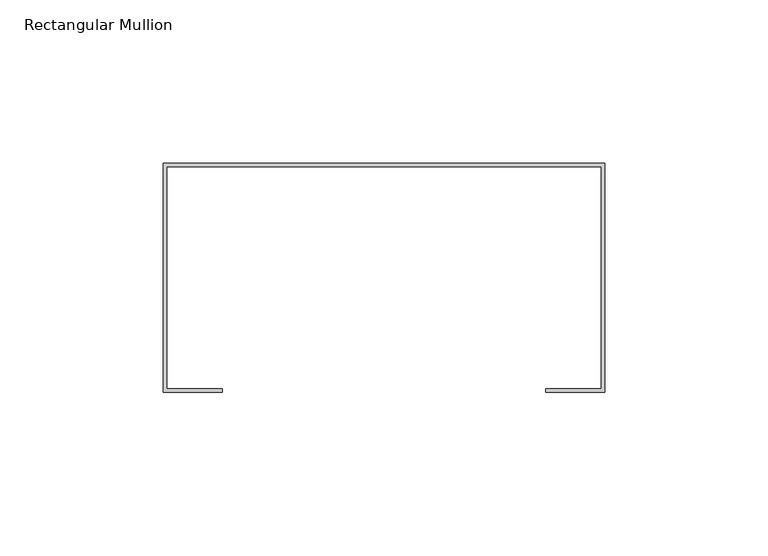
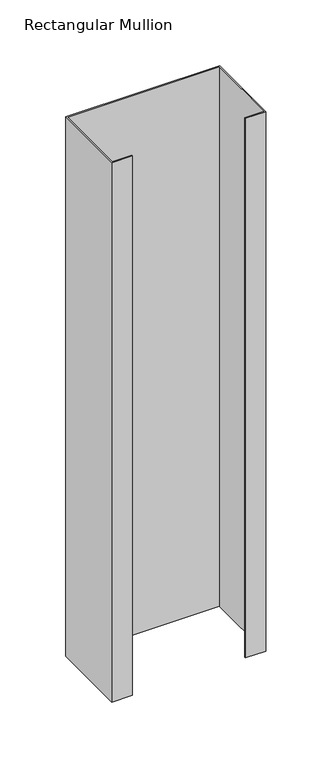
"""IFC4 building model written with IfcOpenShell, lengths in millimetres: member geometry, Rectangular Mullion."""

from ifc_helpers import new_model, si_unit, frame, origin, place, context, project, spatial, polyline, outline, extrude, source, transform, mapped, element, save


def rectangular_mullion_27807598(model_context):
    return source(origin(), model_context, "Body", "SweptSolid", [
        extrude(outline(polyline([(-67.5, -24.9842182), (67.5, -24.9842182), (67.5, -94.9842182), (49.5, -94.9842182), (49.5, -93.9842182), (66.5, -93.9842182), (66.5, -25.9842182), (-66.5, -25.9842182), (-66.5, -93.9842182), (-49.5, -93.9842182), (-49.5, -94.9842182), (-67.5, -94.9842182), (-67.5, -24.9842182)])), frame((0.0, 0.0, -500.0), z_axis=(0.0, 0.0, 1.0), x_axis=(1.0, 0.0, 0.0)), (0.0, 0.0, 1.0), 500.0),
    ])


if __name__ == "__main__":
    model = new_model("IFC4")
    model_context = context("Model", 3, world=origin())
    ifc_project = project(units=[si_unit("LENGTHUNIT", "METRE", prefix="MILLI")], contexts=[model_context])
    site = spatial("IfcSite", under=ifc_project)
    building = spatial("IfcBuilding", under=site)
    placement = place(None, origin())
    rectangular_mullion_shape = rectangular_mullion_27807598(model_context)
    element("IfcMember", 1, ObjectType="Rectangular Mullion", at=placement, inside=building, context=model_context, shape_type="MappedRepresentation", body=[
        mapped(rectangular_mullion_shape, transform((0.0, 0.0, 0.0), x_axis=(1.0, 0.0, 0.0), y_axis=(0.0, 1.0, 0.0), z_axis=(0.0, 0.0, 1.0))),
    ])
    save(model, "model.ifc")
